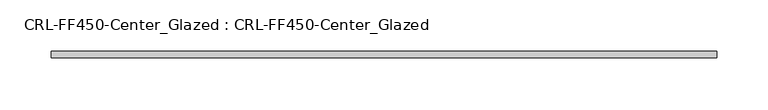
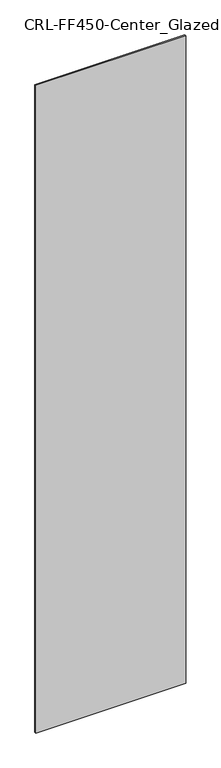
"""IFC4 building model written with IfcOpenShell, lengths in millimetres: plate geometry, CRL-FF450-Center_Glazed : CRL-FF450-Center_Glazed."""

from ifc_helpers import new_model, si_unit, origin, origin_with_axes, place, context, project, spatial, polyline, outline, extrude, source, transform, mapped, element, save


def crl_ff450_center_glazed_crl_ff450_center_glazed_55c75c79(model_context):
    return source(origin(), model_context, "Body", "SweptSolid", [
        extrude(outline(polyline([(324.6437299, 3.1749999), (324.6437299, -3.1749999), (-324.6437299, -3.1749999), (-324.6437299, 3.1749999), (324.6437299, 3.1749999)])), origin_with_axes(), (0.0, 0.0, 1.0), 2964.4339417),
    ])


if __name__ == "__main__":
    model = new_model("IFC4")
    model_context = context("Model", 3, world=origin())
    ifc_project = project(units=[si_unit("LENGTHUNIT", "METRE", prefix="MILLI")], contexts=[model_context])
    site = spatial("IfcSite", under=ifc_project)
    building = spatial("IfcBuilding", under=site)
    placement = place(None, origin())
    crl_ff450_center_glazed_crl_ff450_center_glazed_shape = crl_ff450_center_glazed_crl_ff450_center_glazed_55c75c79(model_context)
    element("IfcPlate", 1, ObjectType="CRL-FF450-Center_Glazed : CRL-FF450-Center_Glazed", at=placement, inside=building, context=model_context, shape_type="MappedRepresentation", body=[
        mapped(crl_ff450_center_glazed_crl_ff450_center_glazed_shape, transform((0.0, 0.0, 0.0), x_axis=(1.0, 0.0, 0.0), y_axis=(0.0, 1.0, 0.0), z_axis=(0.0, 0.0, 1.0))),
    ])
    save(model, "model.ifc")
